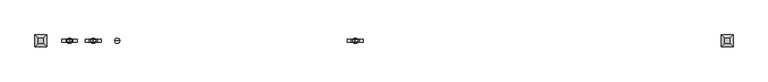
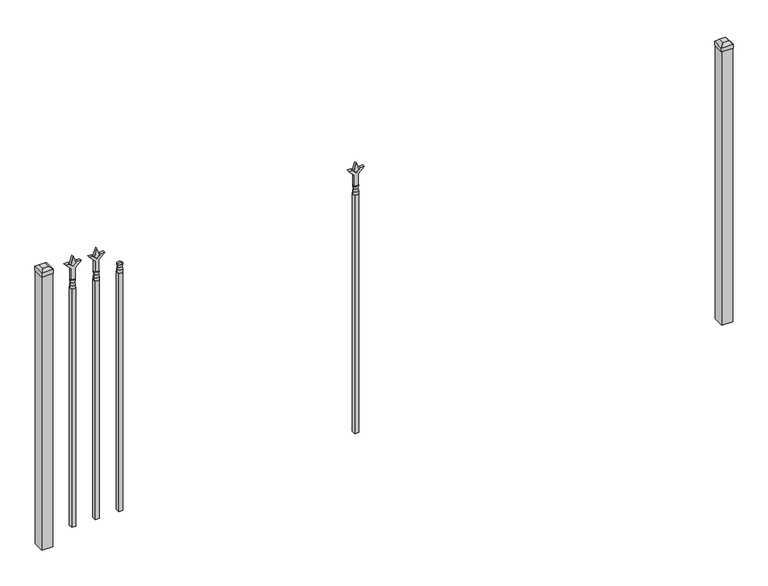
"""IFC4 building model written with IfcOpenShell, lengths in millimetres: railing geometry."""

from ifc_helpers import new_model, si_unit, frame, origin, origin_with_axes, place, context, project, spatial, polyline, circle_curve, outline, extrude, faceted_brep, source, transform, mapped, element, save
from ifc_brep_helpers import plane_surface, cylinder_surface, revolved_surface, advanced_brep


def railing_3ad4452d(model_context):
    return source(origin(), model_context, "Body", "SolidModel", [
        advanced_brep(
        [(-73175.1035036, -3073.6570174, 1231.9), (-73198.9160036, -3073.6570174, 1231.9), (-73198.9160036, -3073.6570174, 1219.2), (-73175.1035036, -3073.6570174, 1219.2), (-73177.3088355, -3073.6570174, 1244.4070585), (-73196.7106718, -3073.6570174, 1244.4070585), (-73175.1035036, -3073.6570174, 1260.475), (-73198.9160036, -3073.6570174, 1260.475), (-73187.0097536, -3073.6570174, 1260.475), (-73187.0097536, -3073.6570174, 1219.2)],
        [
            (0, 1, circle_curve(frame((-73187.0097536, -3073.6570174, 1231.9), z_axis=(0.0, 0.0, -1.0), x_axis=(-1.0, 0.0, 0.0)), 11.90625)),
            (1, 2),
            (2, 3, circle_curve(frame((-73187.0097536, -3073.6570174, 1219.2), z_axis=(0.0, 0.0, 1.0), x_axis=(-1.0, 0.0, 0.0)), 11.90625)),
            (3, 0),
            (1, 0, circle_curve(frame((-73187.0097536, -3073.6570174, 1231.9), z_axis=(0.0, 0.0, -1.0), x_axis=(-1.0, 0.0, 0.0)), 11.90625)),
            (3, 2, circle_curve(frame((-73187.0097536, -3073.6570174, 1219.2), z_axis=(0.0, 0.0, 1.0), x_axis=(-1.0, 0.0, 0.0)), 11.90625)),
            (4, 5, circle_curve(frame((-73187.0097536, -3073.6570174, 1244.4070585), z_axis=(0.0, 0.0, -1.0), x_axis=(-1.0, 0.0, 0.0)), 9.7009181)),
            (5, 1),
            (0, 4),
            (5, 4, circle_curve(frame((-73187.0097536, -3073.6570174, 1244.4070585), z_axis=(0.0, 0.0, -1.0), x_axis=(-1.0, 0.0, 0.0)), 9.7009181)),
            (6, 7, circle_curve(frame((-73187.0097536, -3073.6570174, 1260.475), z_axis=(0.0, 0.0, -1.0), x_axis=(-1.0, 0.0, 0.0)), 11.90625)),
            (7, 5),
            (4, 6),
            (7, 6, circle_curve(frame((-73187.0097536, -3073.6570174, 1260.475), z_axis=(0.0, 0.0, -1.0), x_axis=(-1.0, 0.0, 0.0)), 11.90625)),
            (8, 7),
            (6, 8),
            (2, 9),
            (9, 3),
        ],
        [
            cylinder_surface(frame((-73187.0097536, -3073.6570174, 1219.2), z_axis=(0.0, 0.0, 1.0), x_axis=(-1.0, 0.0, 0.0)), 11.90625),
            revolved_surface(polyline([(-73198.9160036, -3073.6570174, 1231.9), (-73196.7106718, -3073.6570174, 1244.4070585)]), (-73187.0097536, -3073.6570174, 1219.2), (0.0, 0.0, 1.0)),
            revolved_surface(polyline([(-73196.7106718, -3073.6570174, 1244.4070585), (-73198.9160036, -3073.6570174, 1260.475)]), (-73187.0097536, -3073.6570174, 1219.2), (0.0, 0.0, 1.0)),
            plane_surface(frame((-73187.0097536, -3073.6570174, 1260.475), z_axis=(0.0, 0.0, 1.0), x_axis=(-1.0, 0.0, 0.0))),
            plane_surface(frame((-73187.0097536, -3073.6570174, 1219.2), z_axis=(0.0, 0.0, -1.0), x_axis=(-1.0, 0.0, 0.0))),
        ],
        [
            (0, [[1, 2, 3, 4]]),
            (0, [[5, -4, 6, -2]]),
            (1, [[7, 8, -1, 9]]),
            (1, [[10, -9, -5, -8]]),
            (2, [[11, 12, -7, 13]]),
            (2, [[14, -13, -10, -12]]),
            (3, [[15, -11, 16]]),
            (3, [[-16, -14, -15]]),
            (4, [[-3, 17, 18]]),
            (4, [[-6, -18, -17]]),
        ],
    ),
        extrude(outline(polyline([(-73196.5347536, -3064.1320174), (-73177.4847536, -3064.1320174), (-73177.4847536, -3083.1820174), (-73196.5347536, -3083.1820174), (-73196.5347536, -3064.1320174)])), frame((0.0, 0.0, 50.8), z_axis=(0.0, 0.0, 1.0), x_axis=(1.0, 0.0, 0.0)), (0.0, 0.0, 1.0), 1168.4),
        extrude(outline(polyline([(1335.88125, -73284.3764203), (1371.6, -73296.2826703), (1335.88125, -73308.1889203), (1323.975, -73296.2826703), (1335.88125, -73284.3764203)])), frame((0.0, -3078.4195174, 0.0), z_axis=(0.0, 1.0, 0.0), x_axis=(0.0, 0.0, 1.0)), (0.0, 0.0, 1.0), 9.525),
        extrude(outline(polyline([(1260.475, -73287.5514203), (1314.7457378, -73287.5514203), (1341.9355122, -73260.3616458), (1341.9355122, -73278.3221581), (1323.975, -73296.2826703), (1341.9355122, -73314.2431825), (1341.9355122, -73332.2036948), (1314.7457378, -73305.0139203), (1260.475, -73305.0139203), (1260.475, -73287.5514203)])), frame((0.0, -3080.0070174, 0.0), z_axis=(0.0, 1.0, 0.0), x_axis=(0.0, 0.0, 1.0)), (0.0, 0.0, 1.0), 12.7),
        advanced_brep(
        [(-73284.3764203, -3073.6570174, 1231.9), (-73308.1889203, -3073.6570174, 1231.9), (-73308.1889203, -3073.6570174, 1219.2), (-73284.3764203, -3073.6570174, 1219.2), (-73286.5817522, -3073.6570174, 1244.4070585), (-73305.9835884, -3073.6570174, 1244.4070585), (-73284.3764203, -3073.6570174, 1260.475), (-73308.1889203, -3073.6570174, 1260.475), (-73296.2826703, -3073.6570174, 1260.475), (-73296.2826703, -3073.6570174, 1219.2)],
        [
            (0, 1, circle_curve(frame((-73296.2826703, -3073.6570174, 1231.9), z_axis=(0.0, 0.0, -1.0), x_axis=(-1.0, 0.0, 0.0)), 11.90625)),
            (1, 2),
            (2, 3, circle_curve(frame((-73296.2826703, -3073.6570174, 1219.2), z_axis=(0.0, 0.0, 1.0), x_axis=(-1.0, 0.0, 0.0)), 11.90625)),
            (3, 0),
            (1, 0, circle_curve(frame((-73296.2826703, -3073.6570174, 1231.9), z_axis=(0.0, 0.0, -1.0), x_axis=(-1.0, 0.0, 0.0)), 11.90625)),
            (3, 2, circle_curve(frame((-73296.2826703, -3073.6570174, 1219.2), z_axis=(0.0, 0.0, 1.0), x_axis=(-1.0, 0.0, 0.0)), 11.90625)),
            (4, 5, circle_curve(frame((-73296.2826703, -3073.6570174, 1244.4070585), z_axis=(0.0, 0.0, -1.0), x_axis=(-1.0, 0.0, 0.0)), 9.7009181)),
            (5, 1),
            (0, 4),
            (5, 4, circle_curve(frame((-73296.2826703, -3073.6570174, 1244.4070585), z_axis=(0.0, 0.0, -1.0), x_axis=(-1.0, 0.0, 0.0)), 9.7009181)),
            (6, 7, circle_curve(frame((-73296.2826703, -3073.6570174, 1260.475), z_axis=(0.0, 0.0, -1.0), x_axis=(-1.0, 0.0, 0.0)), 11.90625)),
            (7, 5),
            (4, 6),
            (7, 6, circle_curve(frame((-73296.2826703, -3073.6570174, 1260.475), z_axis=(0.0, 0.0, -1.0), x_axis=(-1.0, 0.0, 0.0)), 11.90625)),
            (8, 7),
            (6, 8),
            (2, 9),
            (9, 3),
        ],
        [
            cylinder_surface(frame((-73296.2826703, -3073.6570174, 1219.2), z_axis=(0.0, 0.0, 1.0), x_axis=(-1.0, 0.0, 0.0)), 11.90625),
            revolved_surface(polyline([(-73308.1889203, -3073.6570174, 1231.9), (-73305.9835884, -3073.6570174, 1244.4070585)]), (-73296.2826703, -3073.6570174, 1219.2), (0.0, 0.0, 1.0)),
            revolved_surface(polyline([(-73305.9835884, -3073.6570174, 1244.4070585), (-73308.1889203, -3073.6570174, 1260.475)]), (-73296.2826703, -3073.6570174, 1219.2), (0.0, 0.0, 1.0)),
            plane_surface(frame((-73296.2826703, -3073.6570174, 1260.475), z_axis=(0.0, 0.0, 1.0), x_axis=(-1.0, 0.0, 0.0))),
            plane_surface(frame((-73296.2826703, -3073.6570174, 1219.2), z_axis=(0.0, 0.0, -1.0), x_axis=(-1.0, 0.0, 0.0))),
        ],
        [
            (0, [[1, 2, 3, 4]]),
            (0, [[5, -4, 6, -2]]),
            (1, [[7, 8, -1, 9]]),
            (1, [[10, -9, -5, -8]]),
            (2, [[11, 12, -7, 13]]),
            (2, [[14, -13, -10, -12]]),
            (3, [[15, -11, 16]]),
            (3, [[-16, -14, -15]]),
            (4, [[-3, 17, 18]]),
            (4, [[-6, -18, -17]]),
        ],
    ),
        extrude(outline(polyline([(-73305.8076703, -3064.1320174), (-73286.7576703, -3064.1320174), (-73286.7576703, -3083.1820174), (-73305.8076703, -3083.1820174), (-73305.8076703, -3064.1320174)])), frame((0.0, 0.0, 50.8), z_axis=(0.0, 0.0, 1.0), x_axis=(1.0, 0.0, 0.0)), (0.0, 0.0, 1.0), 1168.4),
        extrude(outline(polyline([(1335.88125, -72082.374337), (1371.6, -72094.280587), (1335.88125, -72106.186837), (1323.975, -72094.280587), (1335.88125, -72082.374337)])), frame((0.0, -3078.4195174, 0.0), z_axis=(0.0, 1.0, 0.0), x_axis=(0.0, 0.0, 1.0)), (0.0, 0.0, 1.0), 9.525),
        extrude(outline(polyline([(1260.475, -72085.549337), (1314.7457378, -72085.549337), (1341.9355122, -72058.3595625), (1341.9355122, -72076.3200747), (1323.975, -72094.280587), (1341.9355122, -72112.2410992), (1341.9355122, -72130.2016114), (1314.7457378, -72103.011837), (1260.475, -72103.011837), (1260.475, -72085.549337)])), frame((0.0, -3080.0070174, 0.0), z_axis=(0.0, 1.0, 0.0), x_axis=(0.0, 0.0, 1.0)), (0.0, 0.0, 1.0), 12.7),
        advanced_brep(
        [(-72082.374337, -3073.6570174, 1231.9), (-72106.186837, -3073.6570174, 1231.9), (-72106.186837, -3073.6570174, 1219.2), (-72082.374337, -3073.6570174, 1219.2), (-72084.5796688, -3073.6570174, 1244.4070585), (-72103.9815051, -3073.6570174, 1244.4070585), (-72082.374337, -3073.6570174, 1260.475), (-72106.186837, -3073.6570174, 1260.475), (-72094.280587, -3073.6570174, 1260.475), (-72094.280587, -3073.6570174, 1219.2)],
        [
            (0, 1, circle_curve(frame((-72094.280587, -3073.6570174, 1231.9), z_axis=(0.0, 0.0, -1.0), x_axis=(-1.0, 0.0, 0.0)), 11.90625)),
            (1, 2),
            (2, 3, circle_curve(frame((-72094.280587, -3073.6570174, 1219.2), z_axis=(0.0, 0.0, 1.0), x_axis=(-1.0, 0.0, 0.0)), 11.90625)),
            (3, 0),
            (1, 0, circle_curve(frame((-72094.280587, -3073.6570174, 1231.9), z_axis=(0.0, 0.0, -1.0), x_axis=(-1.0, 0.0, 0.0)), 11.90625)),
            (3, 2, circle_curve(frame((-72094.280587, -3073.6570174, 1219.2), z_axis=(0.0, 0.0, 1.0), x_axis=(-1.0, 0.0, 0.0)), 11.90625)),
            (4, 5, circle_curve(frame((-72094.280587, -3073.6570174, 1244.4070585), z_axis=(0.0, 0.0, -1.0), x_axis=(-1.0, 0.0, 0.0)), 9.7009181)),
            (5, 1),
            (0, 4),
            (5, 4, circle_curve(frame((-72094.280587, -3073.6570174, 1244.4070585), z_axis=(0.0, 0.0, -1.0), x_axis=(-1.0, 0.0, 0.0)), 9.7009181)),
            (6, 7, circle_curve(frame((-72094.280587, -3073.6570174, 1260.475), z_axis=(0.0, 0.0, -1.0), x_axis=(-1.0, 0.0, 0.0)), 11.90625)),
            (7, 5),
            (4, 6),
            (7, 6, circle_curve(frame((-72094.280587, -3073.6570174, 1260.475), z_axis=(0.0, 0.0, -1.0), x_axis=(-1.0, 0.0, 0.0)), 11.90625)),
            (8, 7),
            (6, 8),
            (2, 9),
            (9, 3),
        ],
        [
            cylinder_surface(frame((-72094.280587, -3073.6570174, 1219.2), z_axis=(0.0, 0.0, 1.0), x_axis=(-1.0, 0.0, 0.0)), 11.90625),
            revolved_surface(polyline([(-72106.186837, -3073.6570174, 1231.9), (-72103.9815051, -3073.6570174, 1244.4070585)]), (-72094.280587, -3073.6570174, 1219.2), (0.0, 0.0, 1.0)),
            revolved_surface(polyline([(-72103.9815051, -3073.6570174, 1244.4070585), (-72106.186837, -3073.6570174, 1260.475)]), (-72094.280587, -3073.6570174, 1219.2), (0.0, 0.0, 1.0)),
            plane_surface(frame((-72094.280587, -3073.6570174, 1260.475), z_axis=(0.0, 0.0, 1.0), x_axis=(-1.0, 0.0, 0.0))),
            plane_surface(frame((-72094.280587, -3073.6570174, 1219.2), z_axis=(0.0, 0.0, -1.0), x_axis=(-1.0, 0.0, 0.0))),
        ],
        [
            (0, [[1, 2, 3, 4]]),
            (0, [[5, -4, 6, -2]]),
            (1, [[7, 8, -1, 9]]),
            (1, [[10, -9, -5, -8]]),
            (2, [[11, 12, -7, 13]]),
            (2, [[14, -13, -10, -12]]),
            (3, [[15, -11, 16]]),
            (3, [[-16, -14, -15]]),
            (4, [[-3, 17, 18]]),
            (4, [[-6, -18, -17]]),
        ],
    ),
        extrude(outline(polyline([(-72103.805587, -3064.1320174), (-72084.755587, -3064.1320174), (-72084.755587, -3083.1820174), (-72103.805587, -3083.1820174), (-72103.805587, -3064.1320174)])), frame((0.0, 0.0, 50.8), z_axis=(0.0, 0.0, 1.0), x_axis=(1.0, 0.0, 0.0)), (0.0, 0.0, 1.0), 1168.4),
        extrude(outline(polyline([(1335.88125, -73393.649337), (1371.6, -73405.555587), (1335.88125, -73417.461837), (1323.975, -73405.555587), (1335.88125, -73393.649337)])), frame((0.0, -3078.4195174, 0.0), z_axis=(0.0, 1.0, 0.0), x_axis=(0.0, 0.0, 1.0)), (0.0, 0.0, 1.0), 9.525),
        extrude(outline(polyline([(1260.475, -73396.824337), (1314.7457378, -73396.824337), (1341.9355122, -73369.6345625), (1341.9355122, -73387.5950747), (1323.975, -73405.555587), (1341.9355122, -73423.5160992), (1341.9355122, -73441.4766114), (1314.7457378, -73414.286837), (1260.475, -73414.286837), (1260.475, -73396.824337)])), frame((0.0, -3080.0070174, 0.0), z_axis=(0.0, 1.0, 0.0), x_axis=(0.0, 0.0, 1.0)), (0.0, 0.0, 1.0), 12.7),
        advanced_brep(
        [(-73393.649337, -3073.6570174, 1231.9), (-73417.461837, -3073.6570174, 1231.9), (-73417.461837, -3073.6570174, 1219.2), (-73393.649337, -3073.6570174, 1219.2), (-73395.8546688, -3073.6570174, 1244.4070585), (-73415.2565051, -3073.6570174, 1244.4070585), (-73393.649337, -3073.6570174, 1260.475), (-73417.461837, -3073.6570174, 1260.475), (-73405.555587, -3073.6570174, 1260.475), (-73405.555587, -3073.6570174, 1219.2)],
        [
            (0, 1, circle_curve(frame((-73405.555587, -3073.6570174, 1231.9), z_axis=(0.0, 0.0, -1.0), x_axis=(-1.0, 0.0, 0.0)), 11.90625)),
            (1, 2),
            (2, 3, circle_curve(frame((-73405.555587, -3073.6570174, 1219.2), z_axis=(0.0, 0.0, 1.0), x_axis=(-1.0, 0.0, 0.0)), 11.90625)),
            (3, 0),
            (1, 0, circle_curve(frame((-73405.555587, -3073.6570174, 1231.9), z_axis=(0.0, 0.0, -1.0), x_axis=(-1.0, 0.0, 0.0)), 11.90625)),
            (3, 2, circle_curve(frame((-73405.555587, -3073.6570174, 1219.2), z_axis=(0.0, 0.0, 1.0), x_axis=(-1.0, 0.0, 0.0)), 11.90625)),
            (4, 5, circle_curve(frame((-73405.555587, -3073.6570174, 1244.4070585), z_axis=(0.0, 0.0, -1.0), x_axis=(-1.0, 0.0, 0.0)), 9.7009181)),
            (5, 1),
            (0, 4),
            (5, 4, circle_curve(frame((-73405.555587, -3073.6570174, 1244.4070585), z_axis=(0.0, 0.0, -1.0), x_axis=(-1.0, 0.0, 0.0)), 9.7009181)),
            (6, 7, circle_curve(frame((-73405.555587, -3073.6570174, 1260.475), z_axis=(0.0, 0.0, -1.0), x_axis=(-1.0, 0.0, 0.0)), 11.90625)),
            (7, 5),
            (4, 6),
            (7, 6, circle_curve(frame((-73405.555587, -3073.6570174, 1260.475), z_axis=(0.0, 0.0, -1.0), x_axis=(-1.0, 0.0, 0.0)), 11.90625)),
            (8, 7),
            (6, 8),
            (2, 9),
            (9, 3),
        ],
        [
            cylinder_surface(frame((-73405.555587, -3073.6570174, 1219.2), z_axis=(0.0, 0.0, 1.0), x_axis=(-1.0, 0.0, 0.0)), 11.90625),
            revolved_surface(polyline([(-73417.461837, -3073.6570174, 1231.9), (-73415.2565051, -3073.6570174, 1244.4070585)]), (-73405.555587, -3073.6570174, 1219.2), (0.0, 0.0, 1.0)),
            revolved_surface(polyline([(-73415.2565051, -3073.6570174, 1244.4070585), (-73417.461837, -3073.6570174, 1260.475)]), (-73405.555587, -3073.6570174, 1219.2), (0.0, 0.0, 1.0)),
            plane_surface(frame((-73405.555587, -3073.6570174, 1260.475), z_axis=(0.0, 0.0, 1.0), x_axis=(-1.0, 0.0, 0.0))),
            plane_surface(frame((-73405.555587, -3073.6570174, 1219.2), z_axis=(0.0, 0.0, -1.0), x_axis=(-1.0, 0.0, 0.0))),
        ],
        [
            (0, [[1, 2, 3, 4]]),
            (0, [[5, -4, 6, -2]]),
            (1, [[7, 8, -1, 9]]),
            (1, [[10, -9, -5, -8]]),
            (2, [[11, 12, -7, 13]]),
            (2, [[14, -13, -10, -12]]),
            (3, [[15, -11, 16]]),
            (3, [[-16, -14, -15]]),
            (4, [[-3, 17, 18]]),
            (4, [[-6, -18, -17]]),
        ],
    ),
        extrude(outline(polyline([(-73415.080587, -3064.1320174), (-73396.030587, -3064.1320174), (-73396.030587, -3083.1820174), (-73415.080587, -3083.1820174), (-73415.080587, -3064.1320174)])), frame((0.0, 0.0, 50.8), z_axis=(0.0, 0.0, 1.0), x_axis=(1.0, 0.0, 0.0)), (0.0, 0.0, 1.0), 1168.4),
        extrude(outline(polyline([(-70362.318087, -3048.2570174), (-70362.318087, -3099.0570174), (-70413.118087, -3099.0570174), (-70413.118087, -3048.2570174), (-70362.318087, -3048.2570174)])), origin_with_axes(), (0.0, 0.0, 1.0), 1339.85),
        faceted_brep([(-70414.705587, -3046.6695174, 1358.9), (-70414.705587, -3046.6695174, 1339.85), (-70414.705587, -3100.6445174, 1339.85), (-70414.705587, -3100.6445174, 1358.9), (-70402.005587, -3059.3695174, 1371.6), (-70402.005587, -3087.9445174, 1371.6), (-70360.730587, -3100.6445174, 1339.85), (-70360.730587, -3100.6445174, 1358.9), (-70373.430587, -3087.9445174, 1371.6), (-70360.730587, -3046.6695174, 1339.85), (-70360.730587, -3046.6695174, 1358.9), (-70373.430587, -3059.3695174, 1371.6)], [[[0, 1, 2, 3]], [[4, 0, 3, 5]], [[3, 2, 6, 7]], [[5, 3, 7, 8]], [[7, 6, 9, 10]], [[8, 7, 10, 11]], [[10, 9, 1, 0]], [[11, 10, 0, 4]], [[5, 8, 11, 4]], [[1, 9, 6, 2]]]),
        extrude(outline(polyline([(-73511.918087, -3048.2570174), (-73511.918087, -3099.0570174), (-73562.718087, -3099.0570174), (-73562.718087, -3048.2570174), (-73511.918087, -3048.2570174)])), origin_with_axes(), (0.0, 0.0, 1.0), 1339.85),
        faceted_brep([(-73564.305587, -3046.6695174, 1358.9), (-73564.305587, -3046.6695174, 1339.85), (-73564.305587, -3100.6445174, 1339.85), (-73564.305587, -3100.6445174, 1358.9), (-73551.605587, -3059.3695174, 1371.6), (-73551.605587, -3087.9445174, 1371.6), (-73510.330587, -3100.6445174, 1339.85), (-73510.330587, -3100.6445174, 1358.9), (-73523.030587, -3087.9445174, 1371.6), (-73510.330587, -3046.6695174, 1339.85), (-73510.330587, -3046.6695174, 1358.9), (-73523.030587, -3059.3695174, 1371.6)], [[[0, 1, 2, 3]], [[4, 0, 3, 5]], [[3, 2, 6, 7]], [[5, 3, 7, 8]], [[7, 6, 9, 10]], [[8, 7, 10, 11]], [[10, 9, 1, 0]], [[11, 10, 0, 4]], [[5, 8, 11, 4]], [[1, 9, 6, 2]]]),
    ])


if __name__ == "__main__":
    model = new_model("IFC4")
    model_context = context("Model", 3, world=origin())
    ifc_project = project(units=[si_unit("LENGTHUNIT", "METRE", prefix="MILLI")], contexts=[model_context])
    site = spatial("IfcSite", under=ifc_project)
    building = spatial("IfcBuilding", under=site)
    placement = place(None, origin())
    railing_shape = railing_3ad4452d(model_context)
    element("IfcRailing", 1, at=placement, inside=building, context=model_context, shape_type="MappedRepresentation", body=[
        mapped(railing_shape, transform((0.0, 0.0, 0.0), x_axis=(1.0, 0.0, 0.0), y_axis=(0.0, 1.0, 0.0), z_axis=(0.0, 0.0, 1.0))),
    ])
    save(model, "model.ifc")
